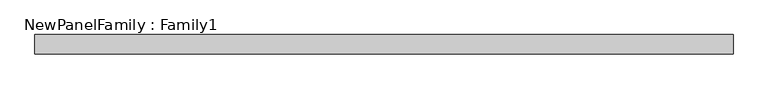
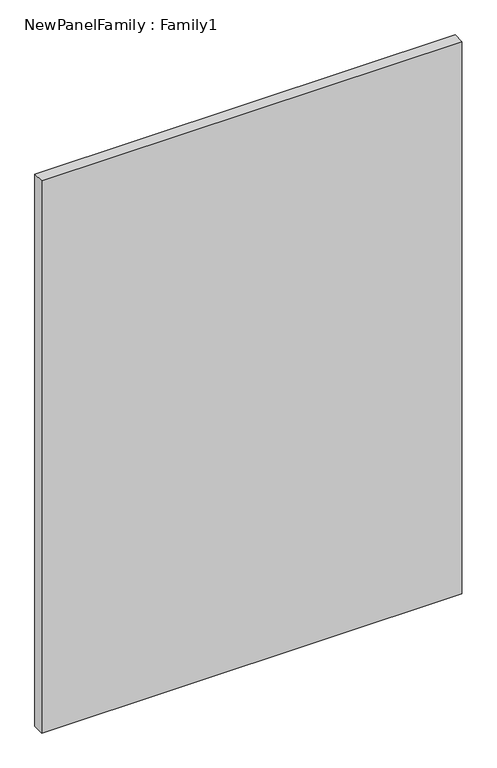
"""IFC4 building model written with IfcOpenShell, lengths in millimetres: proxy geometry, NewPanelFamily : Family1."""

from ifc_helpers import new_model, si_unit, origin, origin_with_axes, place, context, project, spatial, polyline, outline, extrude, source, transform, mapped, element, save


def newpanelfamily_family1_82ac4195(model_context):
    return source(origin(), model_context, "Body", "SweptSolid", [
        extrude(outline(polyline([(899.5, 25.0), (899.5, -25.0), (-899.5, -25.0), (-899.5, 25.0), (899.5, 25.0)])), origin_with_axes(), (0.0, 0.0, 1.0), 2500.0),
    ])


if __name__ == "__main__":
    model = new_model("IFC4")
    model_context = context("Model", 3, world=origin())
    ifc_project = project(units=[si_unit("LENGTHUNIT", "METRE", prefix="MILLI")], contexts=[model_context])
    site = spatial("IfcSite", under=ifc_project)
    building = spatial("IfcBuilding", under=site)
    placement = place(None, origin())
    newpanelfamily_family1_shape = newpanelfamily_family1_82ac4195(model_context)
    element("IfcBuildingElementProxy", 1, Name="NewPanelFamily : Family1", ObjectType="NewPanelFamily : Family1", at=placement, inside=building, context=model_context, shape_type="MappedRepresentation", body=[
        mapped(newpanelfamily_family1_shape, transform((0.0, 0.0, 0.0), x_axis=(1.0, 0.0, 0.0), y_axis=(0.0, 1.0, 0.0), z_axis=(0.0, 0.0, 1.0))),
    ])
    save(model, "model.ifc")
